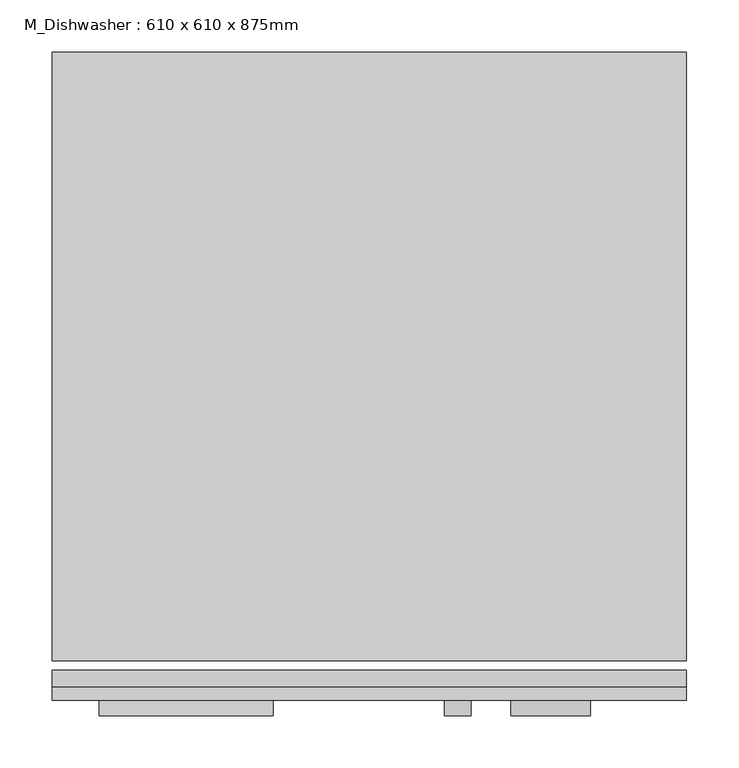
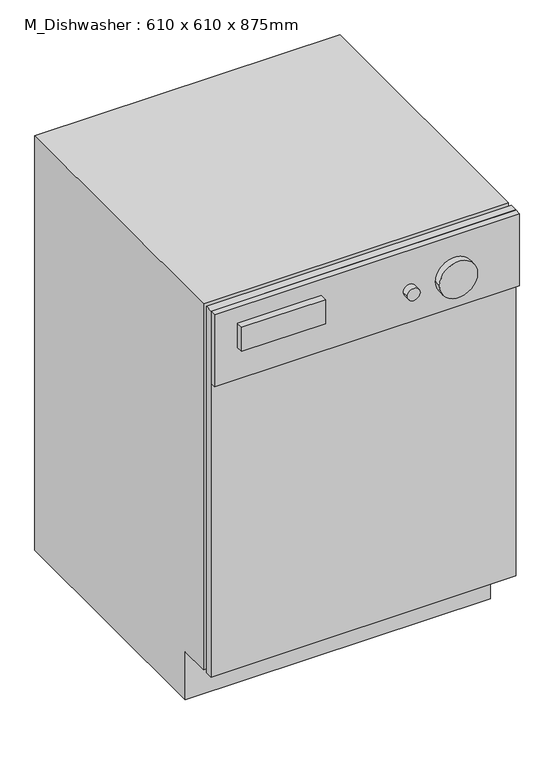
"""IFC4 building model written with IfcOpenShell, lengths in millimetres: proxy geometry, M_Dishwasher : 610 x 610 x 875mm."""

from ifc_helpers import new_model, si_unit, point, frame, frame_2d, origin, place, context, project, spatial, polyline, circle_curve, trimmed, segment, composite_curve, outline, extrude, source, transform, mapped, element, save


def m_dishwasher_610_x_610_x_875mm_54ecfc4c(model_context):
    return source(origin(), model_context, "Body", "SweptSolid", [
        extrude(outline(polyline([(687.5174685, -38.3504352), (77.5174685, -38.3504352), (77.5174685, -22.4754352), (687.5174685, -22.4754352), (687.5174685, -38.3504352)])), frame((0.0, 0.0, 101.6), z_axis=(0.0, 0.0, 1.0), x_axis=(1.0, 0.0, 0.0)), (0.0, 0.0, 1.0), 773.4),
        extrude(outline(polyline([(687.5174685, -38.3504352), (687.5174685, -51.0504352), (77.5174685, -51.0504352), (77.5174685, -38.3504352), (687.5174685, -38.3504352)])), frame((0.0, 0.0, 722.6), z_axis=(0.0, 0.0, 1.0), x_axis=(1.0, 0.0, 0.0)), (0.0, 0.0, 1.0), 152.4),
        extrude(outline(polyline([(571.6495648, 0.0), (50.5495648, 0.0), (50.5495648, 101.6), (-12.9504352, 101.6), (-12.9504352, 875.0), (571.6495648, 875.0), (571.6495648, 0.0)])), frame((77.5174685, 0.0, 0.0), z_axis=(1.0, 0.0, 0.0), x_axis=(0.0, 1.0, 0.0)), (0.0, 0.0, 1.0), 610.0),
        extrude(outline(polyline([(290.2347603, -66.0504352), (122.8347603, -66.0504352), (122.8347603, -51.0504352), (290.2347603, -51.0504352), (290.2347603, -66.0504352)])), frame((0.0, 0.0, 790.6663551), z_axis=(0.0, 0.0, 1.0), x_axis=(1.0, 0.0, 0.0)), (0.0, 0.0, 1.0), 50.8),
        extrude(outline(composite_curve([segment(trimmed(circle_curve(frame_2d((790.6663551, 467.3393328)), 12.7), [point((790.6663551, 480.0393328))], [point((790.6663551, 454.6393328))], False, "CARTESIAN"), True, "CONTINUOUS"), segment(trimmed(circle_curve(frame_2d((790.6663551, 467.3393328)), 12.7), [point((790.6663551, 454.6393328))], [point((790.6663551, 480.0393328))], False, "CARTESIAN"), True, "CONTINUOUS")], self_intersect=False)), frame((0.0, -66.0504352, 0.0), z_axis=(0.0, 1.0, 0.0), x_axis=(0.0, 0.0, 1.0)), (0.0, 0.0, 1.0), 15.0),
        extrude(outline(composite_curve([segment(trimmed(circle_curve(frame_2d((790.6663551, 556.7855874)), 38.1), [point((790.6663551, 594.8855874))], [point((790.6663551, 518.6855874))], False, "CARTESIAN"), True, "CONTINUOUS"), segment(trimmed(circle_curve(frame_2d((790.6663551, 556.7855874)), 38.1), [point((790.6663551, 518.6855874))], [point((790.6663551, 594.8855874))], False, "CARTESIAN"), True, "CONTINUOUS")], self_intersect=False)), frame((0.0, -66.0504352, 0.0), z_axis=(0.0, 1.0, 0.0), x_axis=(0.0, 0.0, 1.0)), (0.0, 0.0, 1.0), 15.0),
    ])


if __name__ == "__main__":
    model = new_model("IFC4")
    model_context = context("Model", 3, world=origin())
    ifc_project = project(units=[si_unit("LENGTHUNIT", "METRE", prefix="MILLI")], contexts=[model_context])
    site = spatial("IfcSite", under=ifc_project)
    building = spatial("IfcBuilding", under=site)
    placement = place(None, origin())
    m_dishwasher_610_x_610_x_875mm_shape = m_dishwasher_610_x_610_x_875mm_54ecfc4c(model_context)
    element("IfcBuildingElementProxy", 1, Name="M_Dishwasher : 610 x 610 x 875mm", ObjectType="M_Dishwasher : 610 x 610 x 875mm", at=placement, inside=building, context=model_context, shape_type="MappedRepresentation", body=[
        mapped(m_dishwasher_610_x_610_x_875mm_shape, transform((0.0, 0.0, 0.0), x_axis=(1.0, 0.0, 0.0), y_axis=(0.0, 1.0, 0.0), z_axis=(0.0, 0.0, 1.0))),
    ])
    save(model, "model.ifc")
